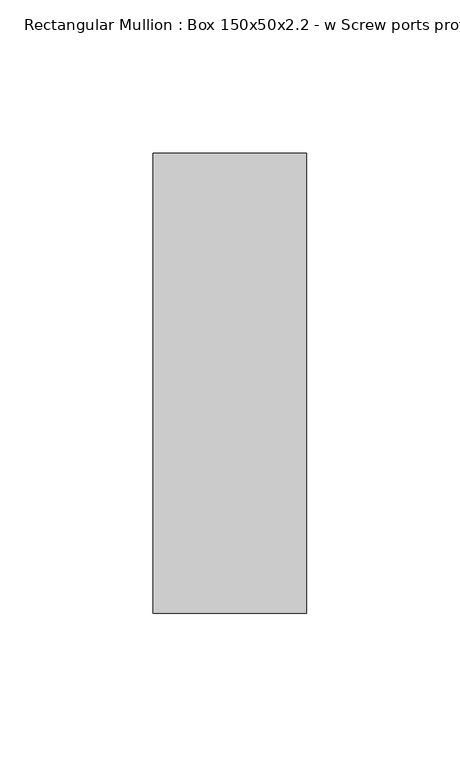
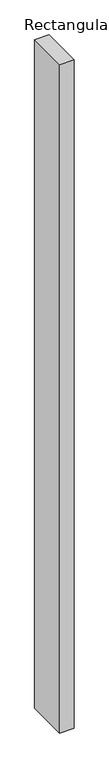
"""IFC4 building model written with IfcOpenShell, lengths in millimetres: member geometry, Rectangular Mullion : Box 150x50x2.2 - w Screw ports profile."""

import ifcopenshell
import ifcopenshell.guid

model = None  # the IFC model being written
_history = None  # IfcOwnerHistory: only IFC2X3 demands one
_inside = {}  # id of a spatial element -> (the spatial element, [elements in it])
_under = {}  # id of a project, library or spatial element -> (it, [spatial elements below it])
_declared = {}  # id of a project -> (the project, [libraries it declares])
_typed = {}  # id of a type object -> (the type object, [elements of that type])
_made_of = {}  # id of a material, layer set ... -> (it, [elements and type objects made of it])


def new_model(schema):
    """Start an empty IFC model of exactly this schema.

    Asked for "IFC4X3", IfcOpenShell would pick the latest addendum, in which some entities
    have other attributes; the version numbers below select the first issue.
    IFC2X3 requires an IfcOwnerHistory on every rooted entity: one is made here for all.
    """
    global model, _history
    if schema == "IFC4X3":
        model = ifcopenshell.file(schema_version=(4, 3, 0, 0))
    else:
        model = ifcopenshell.file(schema=schema)
    _inside.clear()
    _under.clear()
    _declared.clear()
    _typed.clear()
    _made_of.clear()
    _history = None
    if model.schema == "IFC2X3":
        org = make("IfcOrganization", Name="unknown")
        user = make(
            "IfcPersonAndOrganization",
            ThePerson=make("IfcPerson", FamilyName="unknown"),
            TheOrganization=org,
        )
        app = make(
            "IfcApplication",
            ApplicationDeveloper=org,
            Version="unknown",
            ApplicationFullName="unknown",
            ApplicationIdentifier="unknown",
        )
        _history = make(
            "IfcOwnerHistory",
            OwningUser=user,
            OwningApplication=app,
            ChangeAction="ADDED",
            CreationDate=0,
        )
    return model


def make(cls, **values):
    """One entity of the class cls with the attributes given. An attribute that is None is left unset."""
    return model.create_entity(
        cls, **{name: value for name, value in values.items() if value is not None}
    )


def rooted(cls, **values):
    """An entity with a GlobalId (a new one), such as an element, a storey or a relation."""
    return make(cls, GlobalId=ifcopenshell.guid.new(), OwnerHistory=_history, **values)


def si_unit(unit_type, name, prefix=None):
    """IfcSIUnit, for example si_unit("LENGTHUNIT", "METRE", prefix="MILLI")."""
    return make("IfcSIUnit", UnitType=unit_type, Prefix=prefix, Name=name)


def assignment(units):
    """IfcUnitAssignment: the units of a project."""
    return None if units is None else make("IfcUnitAssignment", Units=units)


def point(xyz):
    """IfcCartesianPoint."""
    return None if xyz is None else make("IfcCartesianPoint", Coordinates=xyz)


def direction(xyz):
    """IfcDirection."""
    return None if xyz is None else make("IfcDirection", DirectionRatios=xyz)


def frame(location, z_axis=None, x_axis=None):
    """IfcAxis2Placement3D, a coordinate frame: its origin and axes. An axis left out is left unset."""
    return make(
        "IfcAxis2Placement3D",
        Location=point(location),
        Axis=direction(z_axis),
        RefDirection=direction(x_axis),
    )


def origin():
    """The frame at (0, 0, 0) with its axes left unset."""
    return frame((0.0, 0.0, 0.0))


def place(relative_to, where):
    """IfcLocalPlacement: puts the frame where relative to a parent placement (None: the world)."""
    return make(
        "IfcLocalPlacement", PlacementRelTo=relative_to, RelativePlacement=where
    )


def context(
    kind, dimensions, precision=None, world=None, true_north=None, identifier=None
):
    """IfcGeometricRepresentationContext, for example the 3D "Model" context."""
    return make(
        "IfcGeometricRepresentationContext",
        ContextIdentifier=identifier,
        ContextType=kind,
        CoordinateSpaceDimension=dimensions,
        Precision=precision,
        WorldCoordinateSystem=world,
        TrueNorth=true_north,
    )


def project(units=None, contexts=None):
    """IfcProject with its units and contexts."""
    return rooted(
        "IfcProject",
        Name="project",
        RepresentationContexts=contexts,
        UnitsInContext=assignment(units),
    )


def spatial(cls, under=None, at=None, **own):
    """A site, building, storey or space (cls), placed at a placement, below another one or the project."""
    s = rooted(cls, ObjectPlacement=at, **own)
    if under is not None:
        _under.setdefault(under.id(), (under, []))[1].append(s)
    return s


def polyline(points):
    """IfcPolyline through the points."""
    return make("IfcPolyline", Points=[point(p) for p in points])


def outline(outer, holes=None, kind="AREA"):
    """IfcArbitraryClosedProfileDef: a profile drawn as a closed curve; with holes, ...WithVoids."""
    if holes is None:
        return make("IfcArbitraryClosedProfileDef", ProfileType=kind, OuterCurve=outer)
    return make(
        "IfcArbitraryProfileDefWithVoids",
        ProfileType=kind,
        OuterCurve=outer,
        InnerCurves=holes,
    )


def extrude(swept, where, along, depth):
    """IfcExtrudedAreaSolid: the profile swept, set in the frame where, extruded along a direction by depth."""
    return make(
        "IfcExtrudedAreaSolid",
        SweptArea=swept,
        Position=where,
        ExtrudedDirection=direction(along),
        Depth=depth,
    )


def shape(context_of_items, identifier, shape_type, items):
    """IfcShapeRepresentation: the items that make up one representation, for example the "Body"."""
    return make(
        "IfcShapeRepresentation",
        ContextOfItems=context_of_items,
        RepresentationIdentifier=identifier,
        RepresentationType=shape_type,
        Items=items,
    )


def source(mapping_origin, context_of_items, identifier, shape_type, items):
    """IfcRepresentationMap: a shape defined once, which mapped items show again and again."""
    return make(
        "IfcRepresentationMap",
        MappingOrigin=mapping_origin,
        MappedRepresentation=shape(context_of_items, identifier, shape_type, items),
    )


def transform(
    local_origin,
    x_axis=None,
    y_axis=None,
    z_axis=None,
    scale=None,
    scale2=None,
    scale3=None,
    uniform=True,
):
    """IfcCartesianTransformationOperator3D, or its non-uniform kind. x_axis, y_axis, z_axis: its Axis1, 2, 3."""
    if uniform:
        return make(
            "IfcCartesianTransformationOperator3D",
            Axis1=direction(x_axis),
            Axis2=direction(y_axis),
            LocalOrigin=point(local_origin),
            Scale=scale,
            Axis3=direction(z_axis),
        )
    return make(
        "IfcCartesianTransformationOperator3DnonUniform",
        Axis1=direction(x_axis),
        Axis2=direction(y_axis),
        LocalOrigin=point(local_origin),
        Scale=scale,
        Axis3=direction(z_axis),
        Scale2=scale2,
        Scale3=scale3,
    )


def mapped(mapping_source, mapping_target):
    """IfcMappedItem: shows the shape of a source again, moved by a transform."""
    return make(
        "IfcMappedItem", MappingSource=mapping_source, MappingTarget=mapping_target
    )


def made_of(thing, what):
    """Note that an element or type object is made of a material, layer set ...; save() writes the relation."""
    if what is not None:
        _made_of.setdefault(what.id(), (what, []))[1].append(thing)
    return thing


def element(
    cls,
    number,
    at=None,
    inside=None,
    cuts=None,
    type_object=None,
    material=None,
    context=None,
    identifier="Body",
    shape_type=None,
    held_by="IfcProductDefinitionShape",
    body=None,
    shapes=None,
    **own,
):
    """One element of the class cls, such as IfcWall. Its Tag is "e" and its number.

    at: its placement. inside: the storey or other place that contains it. cuts: it is an
    opening in that element (IfcRelVoidsElement). A single representation is given by context,
    identifier, shape_type and body (its items); several are given by shapes. held_by: the class
    of the entity that holds the representations. save() writes the other relations.
    """
    e = rooted(cls, Tag="e%d" % number, ObjectPlacement=at, **own)
    if body is not None:
        shapes = [shape(context, identifier, shape_type, body)]
    if shapes is not None:
        e.Representation = make(held_by, Representations=shapes)
    if inside is not None:
        _inside.setdefault(inside.id(), (inside, []))[1].append(e)
    if cuts is not None:
        rooted(
            "IfcRelVoidsElement", RelatingBuildingElement=cuts, RelatedOpeningElement=e
        )
    if type_object is not None:
        _typed.setdefault(type_object.id(), (type_object, []))[1].append(e)
    return made_of(e, material)


def aggregate(whole, parts):
    """IfcRelAggregates: a whole, such as a stair, and the parts it consists of."""
    return rooted("IfcRelAggregates", RelatingObject=whole, RelatedObjects=parts)


def save(model, path):
    """Write the relations noted so far, then the file.

    IfcRelAggregates (storeys below a building ...), IfcRelContainedInSpatialStructure (elements
    in a storey), IfcRelDefinesByType, IfcRelAssociatesMaterial and IfcRelDeclares: one each for
    every whole, place, type object, material and project.
    """
    for whole, parts in _under.values():
        aggregate(whole, parts)
    for where, things in _inside.values():
        rooted(
            "IfcRelContainedInSpatialStructure",
            RelatedElements=things,
            RelatingStructure=where,
        )
    for kind, things in _typed.values():
        rooted("IfcRelDefinesByType", RelatedObjects=things, RelatingType=kind)
    for what, things in _made_of.values():
        rooted("IfcRelAssociatesMaterial", RelatedObjects=things, RelatingMaterial=what)
    for by, libraries in _declared.values():
        rooted("IfcRelDeclares", RelatingContext=by, RelatedDefinitions=libraries)
    model.write(path)


def rectangular_mullion_box_150x50x2_2_w_screw_ports_profile_15afe33c(model_context):
    return source(origin(), model_context, "Body", "SweptSolid", [
        extrude(outline(polyline([(0.0, 75.0), (0.0, -75.0), (-50.0, -75.0), (-50.0, 75.0), (0.0, 75.0)])), frame((0.0, 0.0, -2450.0), z_axis=(0.0, 0.0, 1.0), x_axis=(1.0, 0.0, 0.0)), (0.0, 0.0, 1.0), 2450.0),
    ])


if __name__ == "__main__":
    model = new_model("IFC4")
    model_context = context("Model", 3, world=origin())
    ifc_project = project(units=[si_unit("LENGTHUNIT", "METRE", prefix="MILLI")], contexts=[model_context])
    site = spatial("IfcSite", under=ifc_project)
    building = spatial("IfcBuilding", under=site)
    placement = place(None, origin())
    rectangular_mullion_box_150x50x2_2_w_screw_ports_profile_shape = rectangular_mullion_box_150x50x2_2_w_screw_ports_profile_15afe33c(model_context)
    element("IfcMember", 1, ObjectType="Rectangular Mullion : Box 150x50x2.2 - w Screw ports profile", at=placement, inside=building, context=model_context, shape_type="MappedRepresentation", body=[
        mapped(rectangular_mullion_box_150x50x2_2_w_screw_ports_profile_shape, transform((0.0, 0.0, 0.0), x_axis=(1.0, 0.0, 0.0), y_axis=(0.0, 1.0, 0.0), z_axis=(0.0, 0.0, 1.0))),
    ])
    save(model, "model.ifc")
